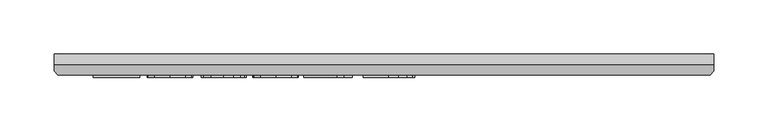
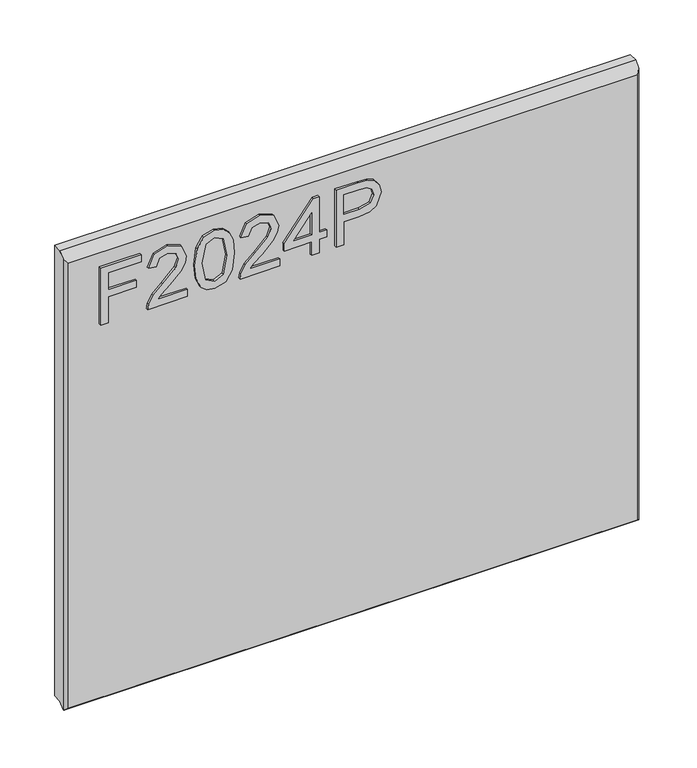
"""IFC4 building model written with IfcOpenShell, lengths in millimetres: furniture geometry."""

from ifc_helpers import new_model, si_unit, frame, origin, place, context, project, spatial, polyline, outline, extrude, faceted_brep, source, transform, mapped, element, save


def furniture_620edd82(model_context):
    return source(origin(), model_context, "Body", "SolidModel", [
        extrude(outline(polyline([(2047.9030988, -249.8436441), (2047.9030988, -241.8699245), (2076.8078324, -241.8699245), (2076.8078324, -211.9684759), (2084.781552, -211.9684759), (2084.781552, -241.8699245), (2103.7191361, -241.8699245), (2103.7191361, -206.9849011), (2111.6928557, -206.9849011), (2111.6928557, -249.8436441), (2047.9030988, -249.8436441)])), frame((0.0, -21.9273437, 0.0), z_axis=(0.0, 1.0, 0.0), x_axis=(0.0, 0.0, 1.0)), (0.0, 0.0, 1.0), 2.38125),
        extrude(outline(polyline([(2055.8768184, -158.1458685), (2055.8768184, -189.4645211), (2059.9337597, -185.8670031), (2067.6037927, -176.6941108), (2078.528723, -165.270823), (2086.3467059, -160.5597875), (2093.9077233, -159.1425834), (2106.5846916, -164.3986974), (2111.6928557, -178.671967), (2107.0986227, -192.8985156), (2093.7519866, -199.0111815), (2092.7552716, -191.0374619), (2100.8068596, -187.6813358), (2103.7191361, -178.8432774), (2100.7367781, -170.3634135), (2093.4249395, -167.116303), (2084.3922102, -170.5580844), (2071.1078687, -184.3252096), (2061.8648949, -194.3079328), (2053.4006047, -199.1513445), (2047.9030988, -200.0078965), (2047.9030988, -158.1458685), (2055.8768184, -158.1458685)])), frame((0.0, -21.9273437, 0.0), z_axis=(0.0, 1.0, 0.0), x_axis=(0.0, 0.0, 1.0)), (0.0, 0.0, 1.0), 2.38125),
        extrude(outline(polyline([(2079.2840461, -150.1721488), (2063.7687762, -148.5836344), (2052.9801155, -143.818091), (2048.4248167, -137.5263279), (2046.9063838, -129.2411348), (2050.402673, -117.5686683), (2061.008343, -110.6305978), (2079.2840461, -108.3101208), (2094.2737045, -109.7584723), (2103.7113492, -113.4961533), (2109.6371311, -119.9280795), (2111.6928557, -129.2411348), (2108.219927, -140.8668803), (2097.6376175, -147.8283113), (2079.2840461, -150.1721488)]), holes=[polyline([(2079.2996197, -142.1984292), (2099.4519502, -138.3361588), (2103.7191361, -129.3345769), (2098.8757244, -119.8969322), (2079.2996197, -116.2838405), (2059.5132706, -120.0215215), (2054.8801034, -129.2411348), (2059.4976969, -138.4607482), (2079.2996197, -142.1984292)])]), frame((0.0, -21.9273438, 0.0), z_axis=(0.0, 1.0, 0.0), x_axis=(0.0, 0.0, 1.0)), (0.0, 0.0, 1.0), 2.38125),
        extrude(outline(polyline([(2055.8768184, -60.4678031), (2055.8768184, -91.7864558), (2059.9337597, -88.1889378), (2067.6037927, -79.0160455), (2078.528723, -67.5927577), (2086.3467059, -62.8817222), (2093.9077233, -61.4645181), (2106.5846916, -66.7206321), (2111.6928557, -80.9939017), (2107.0986227, -95.2204503), (2093.7519866, -101.3331162), (2092.7552716, -93.3593966), (2100.8068596, -90.0032704), (2103.7191361, -81.1652121), (2100.7367781, -72.6853481), (2093.4249395, -69.4382377), (2084.3922102, -72.880019), (2071.1078687, -86.6471443), (2061.8648949, -96.6298675), (2053.4006047, -101.4732792), (2047.9030988, -102.3298311), (2047.9030988, -60.4678031), (2055.8768184, -60.4678031)])), frame((0.0, -21.9273437, 0.0), z_axis=(0.0, 1.0, 0.0), x_axis=(0.0, 0.0, 1.0)), (0.0, 0.0, 1.0), 2.38125),
        extrude(outline(polyline([(2047.9030988, -26.5794948), (2047.9030988, -18.6057751), (2062.853823, -18.6057751), (2062.853823, -10.6320555), (2070.8275427, -10.6320555), (2070.8275427, -18.6057751), (2110.6961407, -18.6057751), (2110.6961407, -24.5860649), (2070.8275427, -55.4842284), (2062.853823, -55.4842284), (2062.853823, -26.5794948), (2047.9030988, -26.5794948)]), holes=[polyline([(2070.8275427, -26.5794948), (2070.8275427, -45.6728156), (2095.4650904, -26.5794948), (2070.8275427, -26.5794948)])]), frame((0.0, -21.9273438, 0.0), z_axis=(0.0, 1.0, 0.0), x_axis=(0.0, 0.0, 1.0)), (0.0, 0.0, 1.0), 2.38125),
        extrude(outline(polyline([(2047.9030988, -0.664906), (2047.9030988, 7.3088136), (2073.8176875, 7.3088136), (2073.8176875, 23.5210053), (2075.2271047, 34.8489043), (2079.4553565, 42.0458871), (2093.2380554, 47.1774117), (2101.9359507, 45.2774238), (2108.1031245, 40.2549149), (2111.0854825, 32.5070135), (2111.6928557, 22.9759268), (2111.6928557, -0.664906), (2047.9030988, -0.664906)]), holes=[polyline([(2081.7914071, 7.3088136), (2103.7191361, 7.3088136), (2103.7191361, 23.8013313), (2103.1740576, 31.775051), (2099.5609659, 37.1557543), (2092.9577293, 39.2036921), (2084.7192573, 35.7307634), (2081.7914071, 23.9882154), (2081.7914071, 7.3088136)])]), frame((0.0, -21.9273438, 0.0), z_axis=(0.0, 1.0, 0.0), x_axis=(0.0, 0.0, 1.0)), (0.0, 0.0, 1.0), 2.38125),
        faceted_brep([(323.5377049, 0.0, 2136.8030987), (-286.0622951, 0.0, 2136.8030987), (-286.0622951, -10.0314449, 2136.8030987), (323.5377049, -10.0314449, 2136.8030987), (-286.0622951, 0.0, 1632.275755), (323.5377049, 0.0, 1632.275755), (323.5377049, -10.0314449, 1632.275755), (-286.0622951, -10.0314449, 1632.275755), (-286.0622951, -15.7726273, 1626.5345727), (-286.0622951, -15.7726273, 2131.0619164), (-282.8959807, -19.5460937, 1629.100755), (320.3713906, -19.5460937, 1629.100755), (320.3713906, -19.5460937, 2127.2884499), (-282.8959807, -19.5460937, 2127.2884499), (323.5377049, -15.7726273, 2131.0619164), (323.5377049, -15.7726273, 1626.5345727), (-285.5514364, -16.3814449, 1625.925755), (323.0268462, -16.3814449, 1625.925755)], [[[0, 1, 2, 3]], [[4, 5, 6, 7]], [[1, 4, 7, 8, 9, 2]], [[10, 11, 12, 13]], [[5, 0, 3, 14, 15, 6]], [[1, 0, 5, 4]], [[11, 10, 16, 17]], [[7, 6, 15, 17, 16, 8]], [[3, 2, 9, 13, 12, 14]], [[9, 8, 16, 10, 13]], [[12, 11, 17, 15, 14]]]),
    ])


if __name__ == "__main__":
    model = new_model("IFC4")
    model_context = context("Model", 3, world=origin())
    ifc_project = project(units=[si_unit("LENGTHUNIT", "METRE", prefix="MILLI")], contexts=[model_context])
    site = spatial("IfcSite", under=ifc_project)
    building = spatial("IfcBuilding", under=site)
    placement = place(None, origin())
    furniture_shape = furniture_620edd82(model_context)
    element("IfcFurniture", 1, at=placement, inside=building, context=model_context, shape_type="MappedRepresentation", body=[
        mapped(furniture_shape, transform((0.0, 0.0, 0.0), x_axis=(1.0, 0.0, 0.0), y_axis=(0.0, 1.0, 0.0), z_axis=(0.0, 0.0, 1.0))),
    ])
    save(model, "model.ifc")
